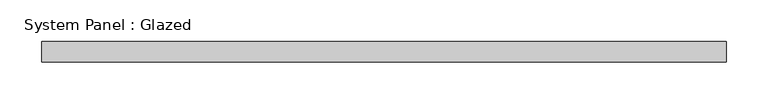
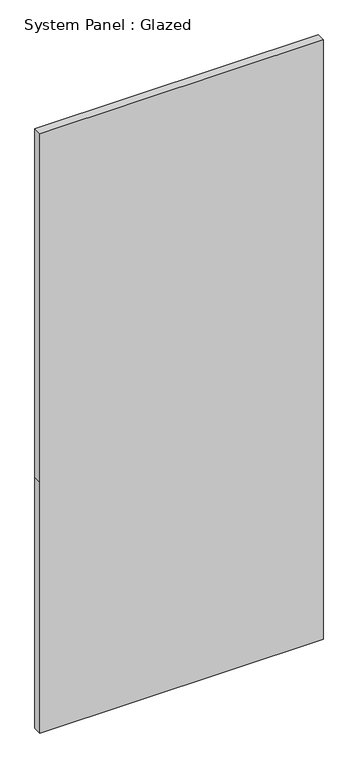
"""IFC4 building model written with IfcOpenShell, lengths in millimetres: plate geometry, System Panel : Glazed."""

from ifc_helpers import new_model, si_unit, frame, origin, place, context, project, spatial, polyline, outline, extrude, source, transform, mapped, element, save


def system_panel_glazed_4f141b4d(model_context):
    return source(origin(), model_context, "Body", "SweptSolid", [
        extrude(outline(polyline([(0.0, -412.5), (0.0, 412.5), (773.3333333, 412.5), (1846.6666667, 412.5), (1846.6666667, -412.5), (773.3333333, -412.5), (0.0, -412.5)])), frame((0.0, -49.5, 0.0), z_axis=(0.0, 1.0, 0.0), x_axis=(0.0, 0.0, 1.0)), (0.0, 0.0, 1.0), 25.0),
    ])


if __name__ == "__main__":
    model = new_model("IFC4")
    model_context = context("Model", 3, world=origin())
    ifc_project = project(units=[si_unit("LENGTHUNIT", "METRE", prefix="MILLI")], contexts=[model_context])
    site = spatial("IfcSite", under=ifc_project)
    building = spatial("IfcBuilding", under=site)
    placement = place(None, origin())
    system_panel_glazed_shape = system_panel_glazed_4f141b4d(model_context)
    element("IfcPlate", 1, ObjectType="System Panel : Glazed", at=placement, inside=building, context=model_context, shape_type="MappedRepresentation", body=[
        mapped(system_panel_glazed_shape, transform((0.0, 0.0, 0.0), x_axis=(1.0, 0.0, 0.0), y_axis=(0.0, 1.0, 0.0), z_axis=(0.0, 0.0, 1.0))),
    ])
    save(model, "model.ifc")
